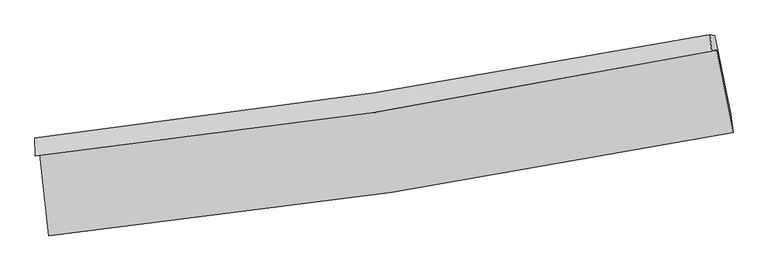
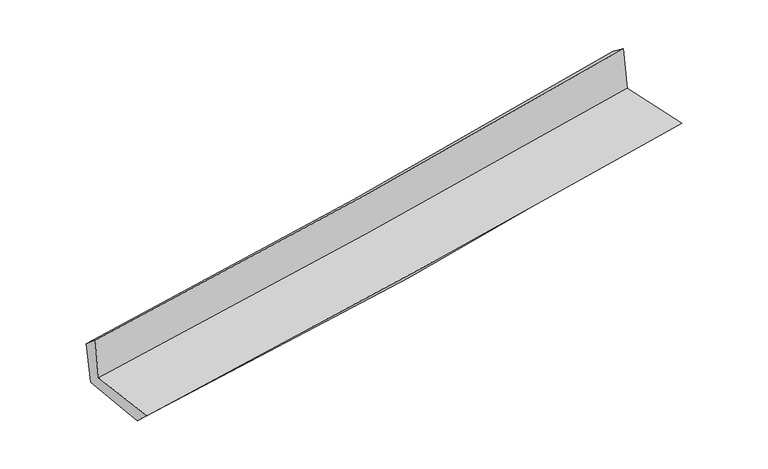
"""IFC4 building model written with IfcOpenShell, lengths in millimetres: proxy geometry."""

from ifc_helpers import new_model, si_unit, frame, origin, place, context, project, spatial, source, transform, mapped, element, save
from ifc_brep_helpers import plane_surface, spline_curve, spline_surface, advanced_brep


def generic_models_1a3191ac(model_context):
    return source(origin(), model_context, "Body", "AdvancedBrep", [
        advanced_brep(
        [(-2734.0683621, -1891.8437848, 1653.3812867), (-2661.9513965, -2546.1234977, 1651.8505464), (2816.3692191, -1716.4686514, 2114.9892817), (2684.6737836, -1058.4800891, 2110.8288688), (-2770.7990217, -1906.5620444, 2045.6822891), (2645.6846869, -1063.724533, 2515.572822), (-2774.703909, -1762.524161, 1923.5559731), (2629.4627797, -934.4580446, 2417.207577), (-2736.0513931, -1767.980335, 1534.2954662), (2669.8081787, -939.8765793, 2020.3938064), (-2664.4354822, -2399.2195491, 1511.9650929), (2798.2971062, -1571.391978, 2003.2403798)],
        [
            (0, 1),
            (1, 2, spline_curve(3, [(-2661.9513965, -2546.1234977, 1651.8505464), (-1746.393065517, -2453.013213361, 1754.375101063), (-833.02972804, -2337.51015297, 1844.178649957), (993.0954344, -2061.145135215, 1998.664231667), (1905.838969088, -1900.096579881, 2063.240261221), (2816.3692191, -1716.4686514, 2114.9892817)], [4, 2, 4], [0.0, 9.058297935795693, 18.154258653822474])),
            (2, 3),
            (3, 0, spline_curve(3, [(2684.6737836, -1058.4800891, 2110.8288688), (1784.352937225, -1243.190679466, 2060.049294602), (881.689008553, -1405.089796942, 1996.433215152), (-924.577736819, -1682.689180231, 1843.844605817), (-1828.161190124, -1798.577961031, 1754.978158123), (-2734.0683621, -1891.8437848, 1653.3812867)], [4, 2, 4], [0.0, 9.095960718026781, 18.154258653822474])),
            (4, 0),
            (3, 5),
            (5, 4, spline_curve(3, [(2645.6846869, -1063.724533, 2515.572822), (1746.777538135, -1253.137035136, 2458.567026381), (845.007976738, -1418.174995103, 2390.80307515), (-960.510247883, -1698.919399616, 2234.083991492), (-1864.235255955, -1814.827276642, 2145.217765069), (-2770.7990217, -1906.5620444, 2045.6822891)], [4, 2, 4], [0.0, 9.048141012522928, 18.058817245335952])),
            (6, 4),
            (5, 7),
            (7, 6, spline_curve(3, [(2629.4627797, -934.4580446, 2417.207577), (1731.694848191, -1107.220503056, 2341.265345347), (831.524395064, -1262.714650118, 2262.064505569), (-969.884355514, -1538.593982269, 2097.48704165), (-1871.102798977, -1659.121874275, 2012.137346791), (-2774.703909, -1762.524161, 1923.5559731)], [4, 2, 4], [0.0, 9.036900606906466, 18.036382976184953])),
            (8, 6),
            (7, 9),
            (9, 8, spline_curve(3, [(2669.8081787, -939.8765793, 2020.3938064), (1772.459129965, -1112.749677649, 1938.71167357), (872.356024172, -1268.302179518, 1857.278890216), (-929.619926111, -1544.193626337, 1695.248170533), (-1831.470010942, -1664.675709702, 1614.648174075), (-2736.0513931, -1767.980335, 1534.2954662)], [4, 2, 4], [0.0, 9.026477014671762, 18.015578951695733])),
            (10, 8),
            (9, 11),
            (11, 10, spline_curve(3, [(2798.2971062, -1571.391978, 2003.2403798), (1893.015113686, -1754.961134886, 1920.359378506), (984.194661907, -1915.827459967, 1837.895200438), (-836.745443056, -2191.582366155, 1674.140216066), (-1748.835853972, -2306.658564835, 1592.84596536), (-2664.4354822, -2399.2195491, 1511.9650929)], [4, 2, 4], [0.0, 9.074329564698372, 18.11108591323157])),
            (1, 10),
            (11, 2),
        ],
        [
            spline_surface(3, 3, [[(-2734.0683621, -1891.8437848, 1653.3812867), (-1828.161190011, -1798.577961028, 1754.978157999), (-924.577736774, -1682.689180103, 1843.844605944), (881.689008508, -1405.089797071, 1996.433215025), (1784.35293718, -1243.190679381, 2060.049294464), (2684.6737836, -1058.4800891, 2110.8288688)], [(-2710.029373587, -2109.937022438, 1652.871039911), (-1800.905148524, -2016.723045113, 1754.777139014), (-894.061733873, -1900.962837763, 1843.955953958), (918.824483855, -1623.774909741, 1997.176887244), (1824.848281112, -1462.159312849, 2061.112950049), (2728.57226211, -1277.809609856, 2112.215673104)], [(-2685.990385013, -2328.030260062, 1652.360793189), (-1773.649106974, -2234.868129183, 1754.576120095), (-863.545731031, -2119.236495433, 1844.06730195), (955.959959143, -1842.460022422, 1997.920559441), (1865.343625015, -1681.12794635, 2062.176605622), (2772.47074059, -1497.139130644, 2113.602477396)], [(-2661.9513965, -2546.1234977, 1651.8505464), (-1746.393065487, -2453.013213268, 1754.37510111), (-833.02972813, -2337.510153093, 1844.178649964), (993.09543449, -2061.145135092, 1998.66423166), (1905.838968948, -1900.096579818, 2063.240261207), (2816.3692191, -1716.4686514, 2114.9892817)]], [4, 4], [4, 2, 4], [0.0, 2.1760408485972156], [0.0, 9.058297935795693, 18.154258653822474]),
            spline_surface(3, 3, [[(-2770.7990217, -1906.5620444, 2045.6822891), (-1864.235255989, -1814.82727655, 2145.217764921), (-960.51024792, -1698.91939951, 2234.08399145), (845.007976775, -1418.17499521, 2390.803075192), (1746.777538251, -1253.137035087, 2458.567026285), (2645.6846869, -1063.724533, 2515.572822)], [(-2758.5554685, -1901.655957857, 1914.915288318), (-1852.21056733, -1809.410838033, 2015.137895964), (-948.532744222, -1693.509326391, 2104.004196274), (857.234987335, -1413.813262514, 2259.346455129), (1759.302671229, -1249.821583185, 2325.727782347), (2658.681052468, -1061.976385033, 2380.658170936)], [(-2746.3119153, -1896.749871343, 1784.148287482), (-1840.18587867, -1803.994399544, 1885.058026955), (-936.555240472, -1688.099253222, 1973.92440112), (869.461997948, -1409.451529767, 2127.889835088), (1771.827804202, -1246.506131284, 2192.888538402), (2671.677418032, -1060.228237067, 2245.743519864)], [(-2734.0683621, -1891.8437848, 1653.3812867), (-1828.161190011, -1798.577961028, 1754.978157999), (-924.577736774, -1682.689180103, 1843.844605944), (881.689008508, -1405.089797071, 1996.433215025), (1784.35293718, -1243.190679381, 2060.049294464), (2684.6737836, -1058.4800891, 2110.8288688)]], [4, 4], [4, 2, 4], [0.0, 1.2935108664552573], [0.0, 9.010676232813024, 18.058817245335952]),
            spline_surface(3, 3, [[(-2774.703909, -1762.524161, 1923.5559731), (-1871.102798846, -1659.121874199, 2012.137346781), (-969.884355652, -1538.593982366, 2097.487041616), (831.524395202, -1262.714650021, 2262.064505603), (1731.694848192, -1107.220503068, 2341.2653454), (2629.4627797, -934.4580446, 2417.207577)], [(-2773.402279877, -1810.536788801, 1964.264745103), (-1868.813617871, -1711.023674984, 2056.497486164), (-966.759653056, -1592.035788068, 2143.01935825), (836.018922412, -1314.534765072, 2304.977362155), (1736.722411537, -1155.859347097, 2380.365905703), (2634.870082092, -977.546874089, 2449.995992008)], [(-2772.100650823, -1858.549416599, 2004.973517097), (-1866.524436964, -1762.925475765, 2100.857625538), (-963.634950516, -1645.477593807, 2188.551674816), (840.513449566, -1366.35488016, 2347.89021864), (1741.749974906, -1204.498191058, 2419.466465982), (2640.277384508, -1020.635703511, 2482.784406992)], [(-2770.7990217, -1906.5620444, 2045.6822891), (-1864.235255989, -1814.82727655, 2145.217764921), (-960.51024792, -1698.91939951, 2234.08399145), (845.007976775, -1418.17499521, 2390.803075192), (1746.777538251, -1253.137035087, 2458.567026285), (2645.6846869, -1063.724533, 2515.572822)]], [4, 4], [4, 2, 4], [0.0, 0.6775879058099327], [0.0, 8.999482369278487, 18.036382976184953]),
            spline_surface(3, 3, [[(-2736.0513931, -1767.980335, 1534.2954662), (-1831.470010964, -1664.67570968, 1614.648174008), (-929.619926125, -1544.193626267, 1695.248170661), (872.356024186, -1268.302179587, 1857.278890087), (1772.459129942, -1112.749677759, 1938.711673502), (2669.8081787, -939.8765793, 2020.3938064)], [(-2748.935565083, -1766.161610341, 1664.048968478), (-1844.680940274, -1662.824431193, 1747.144564911), (-943.041402662, -1542.327078301, 1829.3277943), (858.745481164, -1266.439669733, 1992.20742858), (1758.871036031, -1110.906619526, 2072.896230781), (2656.359712372, -938.070401064, 2152.665063246)], [(-2761.819737017, -1764.342885659, 1793.802470822), (-1857.891869535, -1660.973152685, 1879.640955879), (-956.462879115, -1540.460530332, 1963.407417977), (845.134938224, -1264.577159876, 2127.13596711), (1745.282942103, -1109.063561301, 2207.080788121), (2642.911246028, -936.264222836, 2284.936320154)], [(-2774.703909, -1762.524161, 1923.5559731), (-1871.102798846, -1659.121874199, 2012.137346781), (-969.884355652, -1538.593982366, 2097.487041616), (831.524395202, -1262.714650021, 2262.064505603), (1731.694848192, -1107.220503068, 2341.2653454), (2629.4627797, -934.4580446, 2417.207577)]], [4, 4], [4, 2, 4], [0.0, 1.3306703342230042], [0.0, 8.989101937023971, 18.015578951695733]),
            spline_surface(3, 3, [[(-2664.4354822, -2399.2195491, 1511.9650929), (-1748.835853882, -2306.658564697, 1592.845965237), (-836.745442999, -2191.582366061, 1674.140216098), (984.19466185, -1915.827460061, 1837.895200407), (1893.015113793, -1754.96113499, 1920.359378521), (2798.2971062, -1571.391978, 2003.2403798)], [(-2688.307452503, -2188.806477728, 1519.408550677), (-1776.380572913, -2092.664279686, 1600.113368171), (-867.703604021, -1975.786119446, 1681.176200966), (946.915115981, -1699.985699886, 1844.356430314), (1852.829785856, -1540.890649241, 1926.476810195), (2755.467463713, -1360.886845095, 2008.95818868)], [(-2712.179422797, -1978.393406372, 1526.852008423), (-1803.925291933, -1878.669994691, 1607.380771074), (-898.661765102, -1759.989872883, 1688.212185793), (909.635570055, -1484.143939763, 1850.81766018), (1812.644457879, -1326.820163508, 1932.594241828), (2712.637821187, -1150.381712205, 2014.67599752)], [(-2736.0513931, -1767.980335, 1534.2954662), (-1831.470010964, -1664.67570968, 1614.648174008), (-929.619926125, -1544.193626267, 1695.248170661), (872.356024186, -1268.302179587, 1857.278890087), (1772.459129942, -1112.749677759, 1938.711673502), (2669.8081787, -939.8765793, 2020.3938064)]], [4, 4], [4, 2, 4], [0.0, 2.15162954459341], [0.0, 9.036756348533197, 18.11108591323157]),
            spline_surface(3, 3, [[(-2661.9513965, -2546.1234977, 1651.8505464), (-1746.393065487, -2453.013213268, 1754.37510111), (-833.02972813, -2337.510153093, 1844.178649964), (993.09543449, -2061.145135092, 1998.66423166), (1905.838968948, -1900.096579818, 2063.240261207), (2816.3692191, -1716.4686514, 2114.9892817)], [(-2662.779425049, -2497.155514835, 1605.222061913), (-1747.207328267, -2404.228330413, 1700.532055833), (-834.268299765, -2288.867557431, 1787.499171985), (990.128510265, -2012.705910097, 1945.074554552), (1901.564350541, -1851.718098206, 2015.613300304), (2810.345181445, -1668.109760264, 2077.739647726)], [(-2663.607453651, -2448.187531965, 1558.593577387), (-1748.021591102, -2355.443447552, 1646.689010515), (-835.506871364, -2240.224961723, 1730.819694077), (987.161586075, -1964.266685056, 1891.484877515), (1897.2897322, -1803.339616602, 1967.986339424), (2804.321143855, -1619.750869136, 2040.490013774)], [(-2664.4354822, -2399.2195491, 1511.9650929), (-1748.835853882, -2306.658564697, 1592.845965237), (-836.745442999, -2191.582366061, 1674.140216098), (984.19466185, -1915.827460061, 1837.895200407), (1893.015113793, -1754.96113499, 1920.359378521), (2798.2971062, -1571.391978, 2003.2403798)]], [4, 4], [4, 2, 4], [0.0, 0.7232560678448543], [0.0, 9.094631979485115, 18.227077811654592]),
            plane_surface(frame((2707.3826257, -1214.0666459, 2197.0387893), z_axis=(0.9758546636133504, 0.19592629916202864, 0.09654305154047038), x_axis=(-0.10114256809433046, 0.013583816980963849, 0.9947792020521495))),
            plane_surface(frame((-2723.6682608, -2045.7088953, 1720.1217757), z_axis=(-0.9893452446174035, -0.10882277340398948, -0.0967139645635221), x_axis=(-0.10955962724848525, 0.9939775048608763, 0.002325490855650652))),
        ],
        [
            (0, [[1, 2, 3, 4]]),
            (1, [[5, -4, 6, 7]]),
            (2, [[8, -7, 9, 10]]),
            (3, [[11, -10, 12, 13]]),
            (4, [[14, -13, 15, 16]]),
            (5, [[17, -16, 18, -2]]),
            (6, [[-12, -9, -6, -3, -18, -15]]),
            (7, [[-1, -5, -8, -11, -14, -17]]),
        ],
    ),
    ])


if __name__ == "__main__":
    model = new_model("IFC4")
    model_context = context("Model", 3, world=origin())
    ifc_project = project(units=[si_unit("LENGTHUNIT", "METRE", prefix="MILLI")], contexts=[model_context])
    site = spatial("IfcSite", under=ifc_project)
    building = spatial("IfcBuilding", under=site)
    placement = place(None, origin())
    generic_models_shape = generic_models_1a3191ac(model_context)
    element("IfcBuildingElementProxy", 1, Name="Generic Models", at=placement, inside=building, context=model_context, shape_type="MappedRepresentation", body=[
        mapped(generic_models_shape, transform((0.0, 0.0, 0.0), x_axis=(1.0, 0.0, 0.0), y_axis=(0.0, 1.0, 0.0), z_axis=(0.0, 0.0, 1.0))),
    ])
    save(model, "model.ifc")
